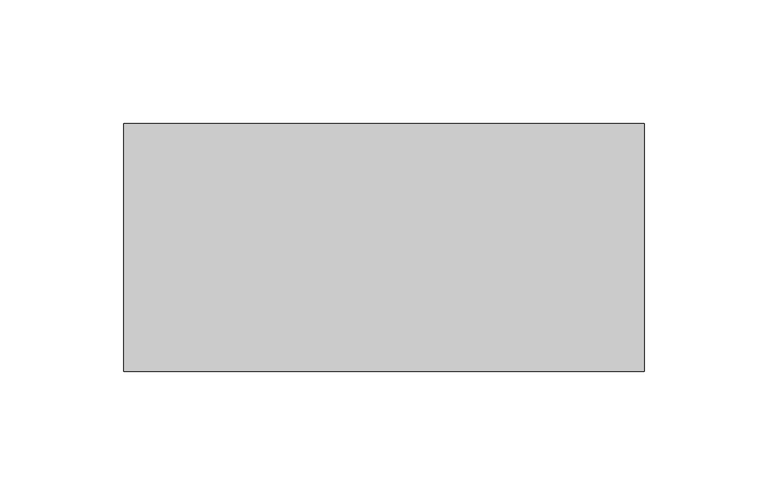
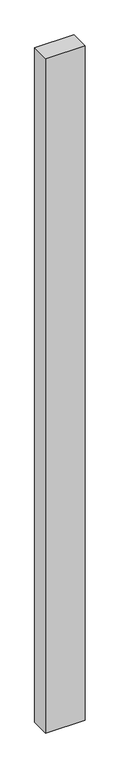
"""IFC4 building model written with IfcOpenShell, lengths in millimetres: proxy geometry."""

import ifcopenshell
import ifcopenshell.guid

model = None  # the IFC model being written
_history = None  # IfcOwnerHistory: only IFC2X3 demands one
_inside = {}  # id of a spatial element -> (the spatial element, [elements in it])
_under = {}  # id of a project, library or spatial element -> (it, [spatial elements below it])
_declared = {}  # id of a project -> (the project, [libraries it declares])
_typed = {}  # id of a type object -> (the type object, [elements of that type])
_made_of = {}  # id of a material, layer set ... -> (it, [elements and type objects made of it])


def new_model(schema):
    """Start an empty IFC model of exactly this schema.

    Asked for "IFC4X3", IfcOpenShell would pick the latest addendum, in which some entities
    have other attributes; the version numbers below select the first issue.
    IFC2X3 requires an IfcOwnerHistory on every rooted entity: one is made here for all.
    """
    global model, _history
    if schema == "IFC4X3":
        model = ifcopenshell.file(schema_version=(4, 3, 0, 0))
    else:
        model = ifcopenshell.file(schema=schema)
    _inside.clear()
    _under.clear()
    _declared.clear()
    _typed.clear()
    _made_of.clear()
    _history = None
    if model.schema == "IFC2X3":
        org = make("IfcOrganization", Name="unknown")
        user = make(
            "IfcPersonAndOrganization",
            ThePerson=make("IfcPerson", FamilyName="unknown"),
            TheOrganization=org,
        )
        app = make(
            "IfcApplication",
            ApplicationDeveloper=org,
            Version="unknown",
            ApplicationFullName="unknown",
            ApplicationIdentifier="unknown",
        )
        _history = make(
            "IfcOwnerHistory",
            OwningUser=user,
            OwningApplication=app,
            ChangeAction="ADDED",
            CreationDate=0,
        )
    return model


def make(cls, **values):
    """One entity of the class cls with the attributes given. An attribute that is None is left unset."""
    return model.create_entity(
        cls, **{name: value for name, value in values.items() if value is not None}
    )


def rooted(cls, **values):
    """An entity with a GlobalId (a new one), such as an element, a storey or a relation."""
    return make(cls, GlobalId=ifcopenshell.guid.new(), OwnerHistory=_history, **values)


def si_unit(unit_type, name, prefix=None):
    """IfcSIUnit, for example si_unit("LENGTHUNIT", "METRE", prefix="MILLI")."""
    return make("IfcSIUnit", UnitType=unit_type, Prefix=prefix, Name=name)


def assignment(units):
    """IfcUnitAssignment: the units of a project."""
    return None if units is None else make("IfcUnitAssignment", Units=units)


def point(xyz):
    """IfcCartesianPoint."""
    return None if xyz is None else make("IfcCartesianPoint", Coordinates=xyz)


def direction(xyz):
    """IfcDirection."""
    return None if xyz is None else make("IfcDirection", DirectionRatios=xyz)


def frame(location, z_axis=None, x_axis=None):
    """IfcAxis2Placement3D, a coordinate frame: its origin and axes. An axis left out is left unset."""
    return make(
        "IfcAxis2Placement3D",
        Location=point(location),
        Axis=direction(z_axis),
        RefDirection=direction(x_axis),
    )


def origin():
    """The frame at (0, 0, 0) with its axes left unset."""
    return frame((0.0, 0.0, 0.0))


def place(relative_to, where):
    """IfcLocalPlacement: puts the frame where relative to a parent placement (None: the world)."""
    return make(
        "IfcLocalPlacement", PlacementRelTo=relative_to, RelativePlacement=where
    )


def context(
    kind, dimensions, precision=None, world=None, true_north=None, identifier=None
):
    """IfcGeometricRepresentationContext, for example the 3D "Model" context."""
    return make(
        "IfcGeometricRepresentationContext",
        ContextIdentifier=identifier,
        ContextType=kind,
        CoordinateSpaceDimension=dimensions,
        Precision=precision,
        WorldCoordinateSystem=world,
        TrueNorth=true_north,
    )


def project(units=None, contexts=None):
    """IfcProject with its units and contexts."""
    return rooted(
        "IfcProject",
        Name="project",
        RepresentationContexts=contexts,
        UnitsInContext=assignment(units),
    )


def spatial(cls, under=None, at=None, **own):
    """A site, building, storey or space (cls), placed at a placement, below another one or the project."""
    s = rooted(cls, ObjectPlacement=at, **own)
    if under is not None:
        _under.setdefault(under.id(), (under, []))[1].append(s)
    return s


def polyline(points):
    """IfcPolyline through the points."""
    return make("IfcPolyline", Points=[point(p) for p in points])


def outline(outer, holes=None, kind="AREA"):
    """IfcArbitraryClosedProfileDef: a profile drawn as a closed curve; with holes, ...WithVoids."""
    if holes is None:
        return make("IfcArbitraryClosedProfileDef", ProfileType=kind, OuterCurve=outer)
    return make(
        "IfcArbitraryProfileDefWithVoids",
        ProfileType=kind,
        OuterCurve=outer,
        InnerCurves=holes,
    )


def extrude(swept, where, along, depth):
    """IfcExtrudedAreaSolid: the profile swept, set in the frame where, extruded along a direction by depth."""
    return make(
        "IfcExtrudedAreaSolid",
        SweptArea=swept,
        Position=where,
        ExtrudedDirection=direction(along),
        Depth=depth,
    )


def shape(context_of_items, identifier, shape_type, items):
    """IfcShapeRepresentation: the items that make up one representation, for example the "Body"."""
    return make(
        "IfcShapeRepresentation",
        ContextOfItems=context_of_items,
        RepresentationIdentifier=identifier,
        RepresentationType=shape_type,
        Items=items,
    )


def source(mapping_origin, context_of_items, identifier, shape_type, items):
    """IfcRepresentationMap: a shape defined once, which mapped items show again and again."""
    return make(
        "IfcRepresentationMap",
        MappingOrigin=mapping_origin,
        MappedRepresentation=shape(context_of_items, identifier, shape_type, items),
    )


def transform(
    local_origin,
    x_axis=None,
    y_axis=None,
    z_axis=None,
    scale=None,
    scale2=None,
    scale3=None,
    uniform=True,
):
    """IfcCartesianTransformationOperator3D, or its non-uniform kind. x_axis, y_axis, z_axis: its Axis1, 2, 3."""
    if uniform:
        return make(
            "IfcCartesianTransformationOperator3D",
            Axis1=direction(x_axis),
            Axis2=direction(y_axis),
            LocalOrigin=point(local_origin),
            Scale=scale,
            Axis3=direction(z_axis),
        )
    return make(
        "IfcCartesianTransformationOperator3DnonUniform",
        Axis1=direction(x_axis),
        Axis2=direction(y_axis),
        LocalOrigin=point(local_origin),
        Scale=scale,
        Axis3=direction(z_axis),
        Scale2=scale2,
        Scale3=scale3,
    )


def mapped(mapping_source, mapping_target):
    """IfcMappedItem: shows the shape of a source again, moved by a transform."""
    return make(
        "IfcMappedItem", MappingSource=mapping_source, MappingTarget=mapping_target
    )


def made_of(thing, what):
    """Note that an element or type object is made of a material, layer set ...; save() writes the relation."""
    if what is not None:
        _made_of.setdefault(what.id(), (what, []))[1].append(thing)
    return thing


def element(
    cls,
    number,
    at=None,
    inside=None,
    cuts=None,
    type_object=None,
    material=None,
    context=None,
    identifier="Body",
    shape_type=None,
    held_by="IfcProductDefinitionShape",
    body=None,
    shapes=None,
    **own,
):
    """One element of the class cls, such as IfcWall. Its Tag is "e" and its number.

    at: its placement. inside: the storey or other place that contains it. cuts: it is an
    opening in that element (IfcRelVoidsElement). A single representation is given by context,
    identifier, shape_type and body (its items); several are given by shapes. held_by: the class
    of the entity that holds the representations. save() writes the other relations.
    """
    e = rooted(cls, Tag="e%d" % number, ObjectPlacement=at, **own)
    if body is not None:
        shapes = [shape(context, identifier, shape_type, body)]
    if shapes is not None:
        e.Representation = make(held_by, Representations=shapes)
    if inside is not None:
        _inside.setdefault(inside.id(), (inside, []))[1].append(e)
    if cuts is not None:
        rooted(
            "IfcRelVoidsElement", RelatingBuildingElement=cuts, RelatedOpeningElement=e
        )
    if type_object is not None:
        _typed.setdefault(type_object.id(), (type_object, []))[1].append(e)
    return made_of(e, material)


def aggregate(whole, parts):
    """IfcRelAggregates: a whole, such as a stair, and the parts it consists of."""
    return rooted("IfcRelAggregates", RelatingObject=whole, RelatedObjects=parts)


def save(model, path):
    """Write the relations noted so far, then the file.

    IfcRelAggregates (storeys below a building ...), IfcRelContainedInSpatialStructure (elements
    in a storey), IfcRelDefinesByType, IfcRelAssociatesMaterial and IfcRelDeclares: one each for
    every whole, place, type object, material and project.
    """
    for whole, parts in _under.values():
        aggregate(whole, parts)
    for where, things in _inside.values():
        rooted(
            "IfcRelContainedInSpatialStructure",
            RelatedElements=things,
            RelatingStructure=where,
        )
    for kind, things in _typed.values():
        rooted("IfcRelDefinesByType", RelatedObjects=things, RelatingType=kind)
    for what, things in _made_of.values():
        rooted("IfcRelAssociatesMaterial", RelatedObjects=things, RelatingMaterial=what)
    for by, libraries in _declared.values():
        rooted("IfcRelDeclares", RelatingContext=by, RelatedDefinitions=libraries)
    model.write(path)


def generic_models_7a79f9ff(model_context):
    return source(origin(), model_context, "Body", "SweptSolid", [
        extrude(outline(polyline([(210.0, 100.0), (210.0, 0.0), (0.0, 0.0), (0.0, 100.0), (210.0, 100.0)])), frame((0.0, 0.0, -3800.0), z_axis=(0.0, 0.0, 1.0), x_axis=(1.0, 0.0, 0.0)), (0.0, 0.0, 1.0), 3800.0),
    ])


if __name__ == "__main__":
    model = new_model("IFC4")
    model_context = context("Model", 3, world=origin())
    ifc_project = project(units=[si_unit("LENGTHUNIT", "METRE", prefix="MILLI")], contexts=[model_context])
    site = spatial("IfcSite", under=ifc_project)
    building = spatial("IfcBuilding", under=site)
    placement = place(None, origin())
    generic_models_shape = generic_models_7a79f9ff(model_context)
    element("IfcBuildingElementProxy", 1, Name="Generic Models", at=placement, inside=building, context=model_context, shape_type="MappedRepresentation", body=[
        mapped(generic_models_shape, transform((0.0, 0.0, 0.0), x_axis=(1.0, 0.0, 0.0), y_axis=(0.0, 1.0, 0.0), z_axis=(0.0, 0.0, 1.0))),
    ])
    save(model, "model.ifc")
